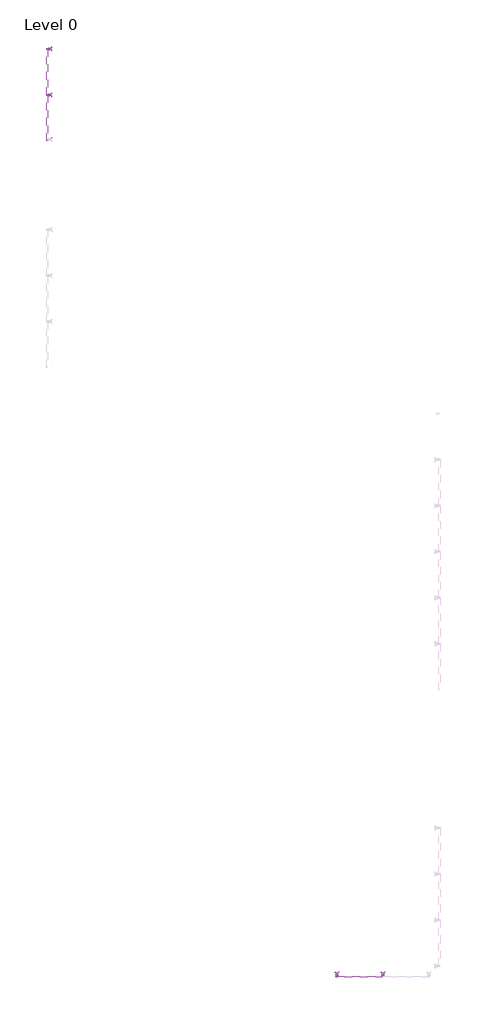
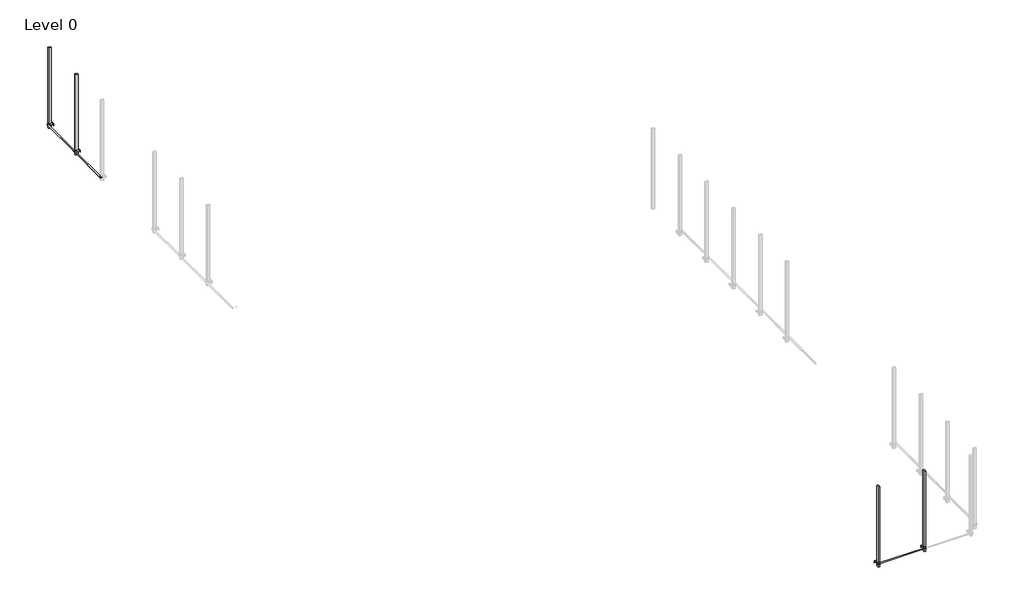
# One storey, part 7 of 15: 114 proxies.
"""IFC4 building model written with IfcOpenShell, lengths in millimetres."""

import ifcopenshell
import ifcopenshell.guid

model = None  # the IFC model being written
_history = None  # IfcOwnerHistory: only IFC2X3 demands one
_inside = {}  # id of a spatial element -> (the spatial element, [elements in it])
_under = {}  # id of a project, library or spatial element -> (it, [spatial elements below it])
_declared = {}  # id of a project -> (the project, [libraries it declares])
_typed = {}  # id of a type object -> (the type object, [elements of that type])
_made_of = {}  # id of a material, layer set ... -> (it, [elements and type objects made of it])


def new_model(schema):
    """Start an empty IFC model of exactly this schema.

    Asked for "IFC4X3", IfcOpenShell would pick the latest addendum, in which some entities
    have other attributes; the version numbers below select the first issue.
    IFC2X3 requires an IfcOwnerHistory on every rooted entity: one is made here for all.
    """
    global model, _history
    if schema == "IFC4X3":
        model = ifcopenshell.file(schema_version=(4, 3, 0, 0))
    else:
        model = ifcopenshell.file(schema=schema)
    _inside.clear()
    _under.clear()
    _declared.clear()
    _typed.clear()
    _made_of.clear()
    _history = None
    if model.schema == "IFC2X3":
        org = make("IfcOrganization", Name="unknown")
        user = make(
            "IfcPersonAndOrganization",
            ThePerson=make("IfcPerson", FamilyName="unknown"),
            TheOrganization=org,
        )
        app = make(
            "IfcApplication",
            ApplicationDeveloper=org,
            Version="unknown",
            ApplicationFullName="unknown",
            ApplicationIdentifier="unknown",
        )
        _history = make(
            "IfcOwnerHistory",
            OwningUser=user,
            OwningApplication=app,
            ChangeAction="ADDED",
            CreationDate=0,
        )
    return model


def make(cls, **values):
    """One entity of the class cls with the attributes given. An attribute that is None is left unset."""
    return model.create_entity(
        cls, **{name: value for name, value in values.items() if value is not None}
    )


def rooted(cls, **values):
    """An entity with a GlobalId (a new one), such as an element, a storey or a relation."""
    return make(cls, GlobalId=ifcopenshell.guid.new(), OwnerHistory=_history, **values)


def si_unit(unit_type, name, prefix=None):
    """IfcSIUnit, for example si_unit("LENGTHUNIT", "METRE", prefix="MILLI")."""
    return make("IfcSIUnit", UnitType=unit_type, Prefix=prefix, Name=name)


def assignment(units):
    """IfcUnitAssignment: the units of a project."""
    return None if units is None else make("IfcUnitAssignment", Units=units)


def point(xyz):
    """IfcCartesianPoint."""
    return None if xyz is None else make("IfcCartesianPoint", Coordinates=xyz)


def direction(xyz):
    """IfcDirection."""
    return None if xyz is None else make("IfcDirection", DirectionRatios=xyz)


def frame(location, z_axis=None, x_axis=None):
    """IfcAxis2Placement3D, a coordinate frame: its origin and axes. An axis left out is left unset."""
    return make(
        "IfcAxis2Placement3D",
        Location=point(location),
        Axis=direction(z_axis),
        RefDirection=direction(x_axis),
    )


def frame_2d(location, x_axis=None):
    """IfcAxis2Placement2D, a coordinate frame in the plane: its origin and x axis."""
    return make(
        "IfcAxis2Placement2D", Location=point(location), RefDirection=direction(x_axis)
    )


def origin():
    """The frame at (0, 0, 0) with its axes left unset."""
    return frame((0.0, 0.0, 0.0))


def origin_with_axes():
    """The frame at (0, 0, 0) with the z axis (0, 0, 1) and the x axis (1, 0, 0) written out."""
    return frame((0.0, 0.0, 0.0), z_axis=(0.0, 0.0, 1.0), x_axis=(1.0, 0.0, 0.0))


def origin_2d():
    """The frame at (0, 0) in the plane with its x axis left unset."""
    return frame_2d((0.0, 0.0))


def place(relative_to, where):
    """IfcLocalPlacement: puts the frame where relative to a parent placement (None: the world)."""
    return make(
        "IfcLocalPlacement", PlacementRelTo=relative_to, RelativePlacement=where
    )


def context(
    kind, dimensions, precision=None, world=None, true_north=None, identifier=None
):
    """IfcGeometricRepresentationContext, for example the 3D "Model" context."""
    return make(
        "IfcGeometricRepresentationContext",
        ContextIdentifier=identifier,
        ContextType=kind,
        CoordinateSpaceDimension=dimensions,
        Precision=precision,
        WorldCoordinateSystem=world,
        TrueNorth=true_north,
    )


def project(units=None, contexts=None):
    """IfcProject with its units and contexts."""
    return rooted(
        "IfcProject",
        Name="project",
        RepresentationContexts=contexts,
        UnitsInContext=assignment(units),
    )


def spatial(cls, under=None, at=None, **own):
    """A site, building, storey or space (cls), placed at a placement, below another one or the project."""
    s = rooted(cls, ObjectPlacement=at, **own)
    if under is not None:
        _under.setdefault(under.id(), (under, []))[1].append(s)
    return s


def polyline(points):
    """IfcPolyline through the points."""
    return make("IfcPolyline", Points=[point(p) for p in points])


def circle_curve(where, radius):
    """IfcCircle in the frame where."""
    return make("IfcCircle", Position=where, Radius=radius)


def trimmed(basis, trim1, trim2, sense, master):
    """IfcTrimmedCurve: the piece of a basis curve between two trims."""
    return make(
        "IfcTrimmedCurve",
        BasisCurve=basis,
        Trim1=trim1,
        Trim2=trim2,
        SenseAgreement=sense,
        MasterRepresentation=master,
    )


def segment(curve, same_sense, transition):
    """IfcCompositeCurveSegment."""
    return make(
        "IfcCompositeCurveSegment",
        Transition=transition,
        SameSense=same_sense,
        ParentCurve=curve,
    )


def composite_curve(segments, self_intersect=None):
    """IfcCompositeCurve: segments joined end to end."""
    return make("IfcCompositeCurve", Segments=segments, SelfIntersect=self_intersect)


def outline(outer, holes=None, kind="AREA"):
    """IfcArbitraryClosedProfileDef: a profile drawn as a closed curve; with holes, ...WithVoids."""
    if holes is None:
        return make("IfcArbitraryClosedProfileDef", ProfileType=kind, OuterCurve=outer)
    return make(
        "IfcArbitraryProfileDefWithVoids",
        ProfileType=kind,
        OuterCurve=outer,
        InnerCurves=holes,
    )


def extrude(swept, where, along, depth):
    """IfcExtrudedAreaSolid: the profile swept, set in the frame where, extruded along a direction by depth."""
    return make(
        "IfcExtrudedAreaSolid",
        SweptArea=swept,
        Position=where,
        ExtrudedDirection=direction(along),
        Depth=depth,
    )


def shape(context_of_items, identifier, shape_type, items):
    """IfcShapeRepresentation: the items that make up one representation, for example the "Body"."""
    return make(
        "IfcShapeRepresentation",
        ContextOfItems=context_of_items,
        RepresentationIdentifier=identifier,
        RepresentationType=shape_type,
        Items=items,
    )


def source(mapping_origin, context_of_items, identifier, shape_type, items):
    """IfcRepresentationMap: a shape defined once, which mapped items show again and again."""
    return make(
        "IfcRepresentationMap",
        MappingOrigin=mapping_origin,
        MappedRepresentation=shape(context_of_items, identifier, shape_type, items),
    )


def transform(
    local_origin,
    x_axis=None,
    y_axis=None,
    z_axis=None,
    scale=None,
    scale2=None,
    scale3=None,
    uniform=True,
):
    """IfcCartesianTransformationOperator3D, or its non-uniform kind. x_axis, y_axis, z_axis: its Axis1, 2, 3."""
    if uniform:
        return make(
            "IfcCartesianTransformationOperator3D",
            Axis1=direction(x_axis),
            Axis2=direction(y_axis),
            LocalOrigin=point(local_origin),
            Scale=scale,
            Axis3=direction(z_axis),
        )
    return make(
        "IfcCartesianTransformationOperator3DnonUniform",
        Axis1=direction(x_axis),
        Axis2=direction(y_axis),
        LocalOrigin=point(local_origin),
        Scale=scale,
        Axis3=direction(z_axis),
        Scale2=scale2,
        Scale3=scale3,
    )


def mapped(mapping_source, mapping_target):
    """IfcMappedItem: shows the shape of a source again, moved by a transform."""
    return make(
        "IfcMappedItem", MappingSource=mapping_source, MappingTarget=mapping_target
    )


def made_of(thing, what):
    """Note that an element or type object is made of a material, layer set ...; save() writes the relation."""
    if what is not None:
        _made_of.setdefault(what.id(), (what, []))[1].append(thing)
    return thing


def element(
    cls,
    number,
    at=None,
    inside=None,
    cuts=None,
    type_object=None,
    material=None,
    context=None,
    identifier="Body",
    shape_type=None,
    held_by="IfcProductDefinitionShape",
    body=None,
    shapes=None,
    **own,
):
    """One element of the class cls, such as IfcWall. Its Tag is "e" and its number.

    at: its placement. inside: the storey or other place that contains it. cuts: it is an
    opening in that element (IfcRelVoidsElement). A single representation is given by context,
    identifier, shape_type and body (its items); several are given by shapes. held_by: the class
    of the entity that holds the representations. save() writes the other relations.
    """
    e = rooted(cls, Tag="e%d" % number, ObjectPlacement=at, **own)
    if body is not None:
        shapes = [shape(context, identifier, shape_type, body)]
    if shapes is not None:
        e.Representation = make(held_by, Representations=shapes)
    if inside is not None:
        _inside.setdefault(inside.id(), (inside, []))[1].append(e)
    if cuts is not None:
        rooted(
            "IfcRelVoidsElement", RelatingBuildingElement=cuts, RelatedOpeningElement=e
        )
    if type_object is not None:
        _typed.setdefault(type_object.id(), (type_object, []))[1].append(e)
    return made_of(e, material)


def aggregate(whole, parts):
    """IfcRelAggregates: a whole, such as a stair, and the parts it consists of."""
    return rooted("IfcRelAggregates", RelatingObject=whole, RelatedObjects=parts)


def save(model, path):
    """Write the relations noted so far, then the file.

    IfcRelAggregates (storeys below a building ...), IfcRelContainedInSpatialStructure (elements
    in a storey), IfcRelDefinesByType, IfcRelAssociatesMaterial and IfcRelDeclares: one each for
    every whole, place, type object, material and project.
    """
    for whole, parts in _under.values():
        aggregate(whole, parts)
    for where, things in _inside.values():
        rooted(
            "IfcRelContainedInSpatialStructure",
            RelatedElements=things,
            RelatingStructure=where,
        )
    for kind, things in _typed.values():
        rooted("IfcRelDefinesByType", RelatedObjects=things, RelatingType=kind)
    for what, things in _made_of.values():
        rooted("IfcRelAssociatesMaterial", RelatedObjects=things, RelatingMaterial=what)
    for by, libraries in _declared.values():
        rooted("IfcRelDeclares", RelatingContext=by, RelatedDefinitions=libraries)
    model.write(path)


def generic_models_19886ca7(model_context):
    return source(origin(), model_context, "Body", "SweptSolid", [
        extrude(outline(composite_curve([segment(trimmed(circle_curve(origin_2d(), 5.0), [point((-5.0, 0.0))], [point((5.0, 0.0))], False, "CARTESIAN"), True, "CONTINUOUS"), segment(trimmed(circle_curve(origin_2d(), 5.0), [point((5.0, 0.0))], [point((-5.0, 0.0))], False, "CARTESIAN"), True, "CONTINUOUS")], self_intersect=False)), origin_with_axes(), (0.0, 0.0, 1.0), 5.0),
    ])


def generic_models_fb3d52db(model_context):
    return source(origin(), model_context, "Body", "SweptSolid", [
        extrude(outline(polyline([(0.0, 0.0), (-50.0, 0.0), (-50.0, 50.0), (-47.0, 50.0), (-47.0, 3.0), (0.0, 3.0), (0.0, 0.0)])), frame((0.0, 0.0, 0.0), z_axis=(1.0, 0.0, 0.0), x_axis=(0.0, 1.0, 0.0)), (0.0, 0.0, 1.0), 60.0),
    ])


def generic_models_5bfb905a(model_context):
    return source(origin(), model_context, "Body", "SweptSolid", [
        extrude(outline(polyline([(26.7544115, 408.8971584), (26.7544115, -1391.1028416), (-23.2455885, -1391.1028416), (-23.2455885, 408.8971584), (26.7544115, 408.8971584)])), origin_with_axes(), (0.0, 0.0, 1.0), 7.0),
    ])


def generic_models_88deaccf(model_context):
    return source(origin(), model_context, "Body", "SweptSolid", [
        extrude(outline(polyline([(150.0, 0.0), (0.0, 0.0), (0.0, 62.3), (2.3, 62.3), (2.3, 2.3), (150.0, 2.3), (150.0, 0.0)])), frame((0.0, -80.0, 0.0), z_axis=(0.0, 1.0, 0.0), x_axis=(0.0, 0.0, 1.0)), (0.0, 0.0, 1.0), 80.0),
    ])


def generic_models_159ed4c4(model_context):
    return source(origin(), model_context, "Body", "SweptSolid", [
        extrude(outline(polyline([(150.0, 0.0), (0.0, 0.0), (0.0, 62.3), (2.3, 62.3), (2.3, 2.3), (150.0, 2.3), (150.0, 0.0)])), frame((0.0, 0.0, 0.0), z_axis=(0.0, 1.0, 0.0), x_axis=(0.0, 0.0, 1.0)), (0.0, 0.0, 1.0), 80.0),
    ])


def generic_models_e0213a8b(model_context):
    return source(origin(), model_context, "Body", "SweptSolid", [
        extrude(outline(polyline([(0.0, 0.0), (0.0, 3.0), (47.0, 3.0), (47.0, 50.0), (50.0, 50.0), (50.0, 0.0), (0.0, 0.0)])), frame((0.0, 0.0, 0.0), z_axis=(1.0, 0.0, 0.0), x_axis=(0.0, 1.0, 0.0)), (0.0, 0.0, 1.0), 60.0),
    ])


def generic_models_dec5313c(model_context):
    return source(origin(), model_context, "Body", "SweptSolid", [
        extrude(outline(polyline([(26.7544115, -408.8971584), (-23.2455885, -408.8971584), (-23.2455885, 1391.1028416), (26.7544115, 1391.1028416), (26.7544115, -408.8971584)])), origin_with_axes(), (0.0, 0.0, 1.0), 7.0),
    ])


def montante_parete_montante_parete_c66eabe1(model_context):
    return source(origin(), model_context, "Body", "SweptSolid", [
        extrude(outline(polyline([(30.0, 1136.5382366), (30.0, -2163.4617634), (-30.0, -2163.4617634), (-30.0, 1136.5382366), (30.0, 1136.5382366)])), origin_with_axes(), (0.0, 0.0, 1.0), 100.0),
    ])


def montante_parete_montante_parete_482e2bc0(model_context):
    return source(origin(), model_context, "Body", "SweptSolid", [
        extrude(outline(polyline([(30.0, -1136.5382366), (-30.0, -1136.5382366), (-30.0, 2163.4617634), (30.0, 2163.4617634), (30.0, -1136.5382366)])), origin_with_axes(), (0.0, 0.0, 1.0), 100.0),
    ])


model = new_model("IFC4")

# Units and contexts
model_context = context("Model", 3, world=origin())
ifc_project = project(units=[si_unit("LENGTHUNIT", "METRE", prefix="MILLI")], contexts=[model_context])

# Site, building, storey
site = spatial("IfcSite", under=ifc_project)
building = spatial("IfcBuilding", under=site)
storey = spatial("IfcBuildingStorey", under=building, Name="Level 0", Elevation=0.0)

# Proxies
placement = place(None, origin())
generic_models_shape = generic_models_19886ca7(model_context)
element("IfcBuildingElementProxy", 1, Name="Generic Models", at=placement, inside=storey, context=model_context, shape_type="MappedRepresentation", body=[
    mapped(generic_models_shape, transform((-10960.1579074, -1216.5410594, 2854.9669903), x_axis=(0.0, -1.0, 0.0), y_axis=(0.0, 0.0, 1.0), z_axis=(-1.0, 0.0, 0.0))),
])
element("IfcBuildingElementProxy", 2, Name="Generic Models", at=placement, inside=storey, context=model_context, shape_type="MappedRepresentation", body=[
    mapped(generic_models_shape, transform((-10960.1579074, -1241.5410594, 2855.0), x_axis=(0.0, -1.0, 0.0), y_axis=(0.0, 0.0, 1.0), z_axis=(-1.0, 0.0, 0.0))),
])
element("IfcBuildingElementProxy", 3, Name="Generic Models", at=placement, inside=storey, context=model_context, shape_type="MappedRepresentation", body=[
    mapped(generic_models_shape, transform((-10960.1579074, -1241.5410594, 2815.0), x_axis=(0.0, -1.0, 0.0), y_axis=(0.0, 0.0, 1.0), z_axis=(-1.0, 0.0, 0.0))),
])
element("IfcBuildingElementProxy", 4, Name="Generic Models", at=placement, inside=storey, context=model_context, shape_type="MappedRepresentation", body=[
    mapped(generic_models_shape, transform((-10960.1579074, -1216.5410594, 2815.0), x_axis=(0.0, -1.0, 0.0), y_axis=(0.0, 0.0, 1.0), z_axis=(-1.0, 0.0, 0.0))),
])
element("IfcBuildingElementProxy", 5, Name="Generic Models", at=placement, inside=storey, context=model_context, shape_type="MappedRepresentation", body=[
    mapped(generic_models_shape, transform((-11087.8579074, -1196.5410594, 2855.0), x_axis=(1.0, 0.0, 0.0), y_axis=(0.0, 0.0, 1.0), z_axis=(0.0, -1.0, 0.0))),
])
element("IfcBuildingElementProxy", 6, Name="Generic Models", at=placement, inside=storey, context=model_context, shape_type="MappedRepresentation", body=[
    mapped(generic_models_shape, transform((-11087.8579074, -1196.5410594, 2814.9681435), x_axis=(1.0, 0.0, 0.0), y_axis=(0.0, 0.0, 1.0), z_axis=(0.0, -1.0, 0.0))),
])
element("IfcBuildingElementProxy", 7, Name="Generic Models", at=placement, inside=storey, context=model_context, shape_type="MappedRepresentation", body=[
    mapped(generic_models_shape, transform((-11062.8579074, -1196.5410594, 2814.9681435), x_axis=(1.0, 0.0, 0.0), y_axis=(0.0, 0.0, 1.0), z_axis=(0.0, -1.0, 0.0))),
])
element("IfcBuildingElementProxy", 8, Name="Generic Models", at=placement, inside=storey, context=model_context, shape_type="MappedRepresentation", body=[
    mapped(generic_models_shape, transform((-11062.8579074, -1196.5410594, 2855.0), x_axis=(1.0, 0.0, 0.0), y_axis=(0.0, 0.0, 1.0), z_axis=(0.0, -1.0, 0.0))),
])
element("IfcBuildingElementProxy", 9, Name="Generic Models", at=placement, inside=storey, context=model_context, shape_type="MappedRepresentation", body=[
    mapped(generic_models_shape, transform((-11110.8438637, -1179.2410594, 2870.0), x_axis=(0.0, 0.0, -1.0), y_axis=(0.0, -1.0, 0.0), z_axis=(-1.0, 0.0, 0.0))),
])
element("IfcBuildingElementProxy", 10, Name="Generic Models", at=placement, inside=storey, context=model_context, shape_type="MappedRepresentation", body=[
    mapped(generic_models_shape, transform((-11110.8438637, -1179.2410594, 2853.0), x_axis=(0.0, 0.0, -1.0), y_axis=(0.0, -1.0, 0.0), z_axis=(-1.0, 0.0, 0.0))),
])
element("IfcBuildingElementProxy", 11, Name="Generic Models", at=placement, inside=storey, context=model_context, shape_type="MappedRepresentation", body=[
    mapped(generic_models_shape, transform((-11110.8438637, -1149.2410594, 2853.0), x_axis=(0.0, 0.0, -1.0), y_axis=(0.0, -1.0, 0.0), z_axis=(-1.0, 0.0, 0.0))),
])
element("IfcBuildingElementProxy", 12, Name="Generic Models", at=placement, inside=storey, context=model_context, shape_type="MappedRepresentation", body=[
    mapped(generic_models_shape, transform((-11110.8438637, -1149.2410594, 2869.4644661), x_axis=(0.0, 0.0, -1.0), y_axis=(0.0, -1.0, 0.0), z_axis=(-1.0, 0.0, 0.0))),
])
element("IfcBuildingElementProxy", 13, Name="Generic Models", at=placement, inside=storey, context=model_context, shape_type="MappedRepresentation", body=[
    mapped(generic_models_shape, transform((-11122.8438637, -1149.2366286, 2838.0), x_axis=(-1.0, 0.0, 0.0), y_axis=(0.0, -1.0, 0.0), z_axis=(0.0, 0.0, 1.0))),
])
element("IfcBuildingElementProxy", 14, Name="Generic Models", at=placement, inside=storey, context=model_context, shape_type="MappedRepresentation", body=[
    mapped(generic_models_shape, transform((-11142.8438637, -1149.2214622, 2838.0), x_axis=(-1.0, 0.0, 0.0), y_axis=(0.0, -1.0, 0.0), z_axis=(0.0, 0.0, 1.0))),
])
element("IfcBuildingElementProxy", 15, Name="Generic Models", at=placement, inside=storey, context=model_context, shape_type="MappedRepresentation", body=[
    mapped(generic_models_shape, transform((-11122.8438637, -1179.2410594, 2838.0), x_axis=(-1.0, 0.0, 0.0), y_axis=(0.0, -1.0, 0.0), z_axis=(0.0, 0.0, 1.0))),
])
element("IfcBuildingElementProxy", 16, Name="Generic Models", at=placement, inside=storey, context=model_context, shape_type="MappedRepresentation", body=[
    mapped(generic_models_shape, transform((-11142.8438637, -1179.2410594, 2838.0), x_axis=(-1.0, 0.0, 0.0), y_axis=(0.0, -1.0, 0.0), z_axis=(0.0, 0.0, 1.0))),
])
element("IfcBuildingElementProxy", 17, Name="Generic Models", at=placement, inside=storey, context=model_context, shape_type="MappedRepresentation", body=[
    mapped(generic_models_shape, transform((-10960.1579074, -3016.5410594, 2854.9669903), x_axis=(0.0, -1.0, 0.0), y_axis=(0.0, 0.0, 1.0), z_axis=(-1.0, 0.0, 0.0))),
])
element("IfcBuildingElementProxy", 18, Name="Generic Models", at=placement, inside=storey, context=model_context, shape_type="MappedRepresentation", body=[
    mapped(generic_models_shape, transform((-10960.1579074, -3041.5410594, 2855.0), x_axis=(0.0, -1.0, 0.0), y_axis=(0.0, 0.0, 1.0), z_axis=(-1.0, 0.0, 0.0))),
])
element("IfcBuildingElementProxy", 19, Name="Generic Models", at=placement, inside=storey, context=model_context, shape_type="MappedRepresentation", body=[
    mapped(generic_models_shape, transform((-10960.1579074, -3041.5410594, 2815.0), x_axis=(0.0, -1.0, 0.0), y_axis=(0.0, 0.0, 1.0), z_axis=(-1.0, 0.0, 0.0))),
])
element("IfcBuildingElementProxy", 20, Name="Generic Models", at=placement, inside=storey, context=model_context, shape_type="MappedRepresentation", body=[
    mapped(generic_models_shape, transform((-10960.1579074, -3016.5410594, 2815.0), x_axis=(0.0, -1.0, 0.0), y_axis=(0.0, 0.0, 1.0), z_axis=(-1.0, 0.0, 0.0))),
])
element("IfcBuildingElementProxy", 21, Name="Generic Models", at=placement, inside=storey, context=model_context, shape_type="MappedRepresentation", body=[
    mapped(generic_models_shape, transform((-11087.8579074, -2996.5410594, 2855.0), x_axis=(1.0, 0.0, 0.0), y_axis=(0.0, 0.0, 1.0), z_axis=(0.0, -1.0, 0.0))),
])
element("IfcBuildingElementProxy", 22, Name="Generic Models", at=placement, inside=storey, context=model_context, shape_type="MappedRepresentation", body=[
    mapped(generic_models_shape, transform((-11087.8579074, -2996.5410594, 2814.9681435), x_axis=(1.0, 0.0, 0.0), y_axis=(0.0, 0.0, 1.0), z_axis=(0.0, -1.0, 0.0))),
])
element("IfcBuildingElementProxy", 23, Name="Generic Models", at=placement, inside=storey, context=model_context, shape_type="MappedRepresentation", body=[
    mapped(generic_models_shape, transform((-11062.8579074, -2996.5410594, 2814.9681435), x_axis=(1.0, 0.0, 0.0), y_axis=(0.0, 0.0, 1.0), z_axis=(0.0, -1.0, 0.0))),
])
element("IfcBuildingElementProxy", 24, Name="Generic Models", at=placement, inside=storey, context=model_context, shape_type="MappedRepresentation", body=[
    mapped(generic_models_shape, transform((-11062.8579074, -2996.5410594, 2855.0), x_axis=(1.0, 0.0, 0.0), y_axis=(0.0, 0.0, 1.0), z_axis=(0.0, -1.0, 0.0))),
])
element("IfcBuildingElementProxy", 25, Name="Generic Models", at=placement, inside=storey, context=model_context, shape_type="MappedRepresentation", body=[
    mapped(generic_models_shape, transform((-11110.8438637, -2979.2410594, 2870.0), x_axis=(0.0, 0.0, -1.0), y_axis=(0.0, -1.0, 0.0), z_axis=(-1.0, 0.0, 0.0))),
])
element("IfcBuildingElementProxy", 26, Name="Generic Models", at=placement, inside=storey, context=model_context, shape_type="MappedRepresentation", body=[
    mapped(generic_models_shape, transform((-11110.8438637, -2979.2410594, 2853.0), x_axis=(0.0, 0.0, -1.0), y_axis=(0.0, -1.0, 0.0), z_axis=(-1.0, 0.0, 0.0))),
])
element("IfcBuildingElementProxy", 27, Name="Generic Models", at=placement, inside=storey, context=model_context, shape_type="MappedRepresentation", body=[
    mapped(generic_models_shape, transform((-11110.8438637, -2949.2410594, 2853.0), x_axis=(0.0, 0.0, -1.0), y_axis=(0.0, -1.0, 0.0), z_axis=(-1.0, 0.0, 0.0))),
])
element("IfcBuildingElementProxy", 28, Name="Generic Models", at=placement, inside=storey, context=model_context, shape_type="MappedRepresentation", body=[
    mapped(generic_models_shape, transform((-11110.8438637, -2949.2410594, 2869.4644661), x_axis=(0.0, 0.0, -1.0), y_axis=(0.0, -1.0, 0.0), z_axis=(-1.0, 0.0, 0.0))),
])
element("IfcBuildingElementProxy", 29, Name="Generic Models", at=placement, inside=storey, context=model_context, shape_type="MappedRepresentation", body=[
    mapped(generic_models_shape, transform((-11122.8438637, -2949.2366286, 2838.0), x_axis=(-1.0, 0.0, 0.0), y_axis=(0.0, -1.0, 0.0), z_axis=(0.0, 0.0, 1.0))),
])
element("IfcBuildingElementProxy", 30, Name="Generic Models", at=placement, inside=storey, context=model_context, shape_type="MappedRepresentation", body=[
    mapped(generic_models_shape, transform((-11142.8438637, -2949.2214622, 2838.0), x_axis=(-1.0, 0.0, 0.0), y_axis=(0.0, -1.0, 0.0), z_axis=(0.0, 0.0, 1.0))),
])
element("IfcBuildingElementProxy", 31, Name="Generic Models", at=placement, inside=storey, context=model_context, shape_type="MappedRepresentation", body=[
    mapped(generic_models_shape, transform((-11122.8438637, -2979.2410594, 2838.0), x_axis=(-1.0, 0.0, 0.0), y_axis=(0.0, -1.0, 0.0), z_axis=(0.0, 0.0, 1.0))),
])
element("IfcBuildingElementProxy", 32, Name="Generic Models", at=placement, inside=storey, context=model_context, shape_type="MappedRepresentation", body=[
    mapped(generic_models_shape, transform((-11142.8438637, -2979.2410594, 2838.0), x_axis=(-1.0, 0.0, 0.0), y_axis=(0.0, -1.0, 0.0), z_axis=(0.0, 0.0, 1.0))),
])
element("IfcBuildingElementProxy", 33, Name="Generic Models", at=placement, inside=storey, context=model_context, shape_type="MappedRepresentation", body=[
    mapped(generic_models_shape, transform((2054.0599708, -37269.2410594, 2854.9669904), x_axis=(1.0, 0.0, 0.0), y_axis=(0.0, 0.0, 1.0), z_axis=(0.0, -1.0, 0.0))),
])
element("IfcBuildingElementProxy", 34, Name="Generic Models", at=placement, inside=storey, context=model_context, shape_type="MappedRepresentation", body=[
    mapped(generic_models_shape, transform((2079.0599708, -37269.2410594, 2855.0), x_axis=(1.0, 0.0, 0.0), y_axis=(0.0, 0.0, 1.0), z_axis=(0.0, -1.0, 0.0))),
])
element("IfcBuildingElementProxy", 35, Name="Generic Models", at=placement, inside=storey, context=model_context, shape_type="MappedRepresentation", body=[
    mapped(generic_models_shape, transform((2079.0599708, -37269.2410594, 2815.0), x_axis=(1.0, 0.0, 0.0), y_axis=(0.0, 0.0, 1.0), z_axis=(0.0, -1.0, 0.0))),
])
element("IfcBuildingElementProxy", 36, Name="Generic Models", at=placement, inside=storey, context=model_context, shape_type="MappedRepresentation", body=[
    mapped(generic_models_shape, transform((2054.0599708, -37269.2410594, 2815.0), x_axis=(1.0, 0.0, 0.0), y_axis=(0.0, 0.0, 1.0), z_axis=(0.0, -1.0, 0.0))),
])
element("IfcBuildingElementProxy", 37, Name="Generic Models", at=placement, inside=storey, context=model_context, shape_type="MappedRepresentation", body=[
    mapped(generic_models_shape, transform((2034.0599708, -37396.9410594, 2855.0), x_axis=(0.0, 1.0, 0.0), y_axis=(0.0, 0.0, 1.0), z_axis=(1.0, 0.0, 0.0))),
])
element("IfcBuildingElementProxy", 38, Name="Generic Models", at=placement, inside=storey, context=model_context, shape_type="MappedRepresentation", body=[
    mapped(generic_models_shape, transform((2034.0599708, -37396.9410594, 2814.9681435), x_axis=(0.0, 1.0, 0.0), y_axis=(0.0, 0.0, 1.0), z_axis=(1.0, 0.0, 0.0))),
])
element("IfcBuildingElementProxy", 39, Name="Generic Models", at=placement, inside=storey, context=model_context, shape_type="MappedRepresentation", body=[
    mapped(generic_models_shape, transform((2034.0599708, -37371.9410594, 2814.9681435), x_axis=(0.0, 1.0, 0.0), y_axis=(0.0, 0.0, 1.0), z_axis=(1.0, 0.0, 0.0))),
])
element("IfcBuildingElementProxy", 40, Name="Generic Models", at=placement, inside=storey, context=model_context, shape_type="MappedRepresentation", body=[
    mapped(generic_models_shape, transform((2034.0599708, -37371.9410594, 2855.0), x_axis=(0.0, 1.0, 0.0), y_axis=(0.0, 0.0, 1.0), z_axis=(1.0, 0.0, 0.0))),
])
element("IfcBuildingElementProxy", 41, Name="Generic Models", at=placement, inside=storey, context=model_context, shape_type="MappedRepresentation", body=[
    mapped(generic_models_shape, transform((254.0599708, -37269.2410594, 2854.9669904), x_axis=(1.0, 0.0, 0.0), y_axis=(0.0, 0.0, 1.0), z_axis=(0.0, -1.0, 0.0))),
])
element("IfcBuildingElementProxy", 42, Name="Generic Models", at=placement, inside=storey, context=model_context, shape_type="MappedRepresentation", body=[
    mapped(generic_models_shape, transform((279.0599708, -37269.2410594, 2855.0), x_axis=(1.0, 0.0, 0.0), y_axis=(0.0, 0.0, 1.0), z_axis=(0.0, -1.0, 0.0))),
])
element("IfcBuildingElementProxy", 43, Name="Generic Models", at=placement, inside=storey, context=model_context, shape_type="MappedRepresentation", body=[
    mapped(generic_models_shape, transform((279.0599708, -37269.2410594, 2815.0), x_axis=(1.0, 0.0, 0.0), y_axis=(0.0, 0.0, 1.0), z_axis=(0.0, -1.0, 0.0))),
])
element("IfcBuildingElementProxy", 44, Name="Generic Models", at=placement, inside=storey, context=model_context, shape_type="MappedRepresentation", body=[
    mapped(generic_models_shape, transform((254.0599708, -37269.2410594, 2815.0), x_axis=(1.0, 0.0, 0.0), y_axis=(0.0, 0.0, 1.0), z_axis=(0.0, -1.0, 0.0))),
])
element("IfcBuildingElementProxy", 45, Name="Generic Models", at=placement, inside=storey, context=model_context, shape_type="MappedRepresentation", body=[
    mapped(generic_models_shape, transform((234.0599708, -37396.9410594, 2855.0), x_axis=(0.0, 1.0, 0.0), y_axis=(0.0, 0.0, 1.0), z_axis=(1.0, 0.0, 0.0))),
])
element("IfcBuildingElementProxy", 46, Name="Generic Models", at=placement, inside=storey, context=model_context, shape_type="MappedRepresentation", body=[
    mapped(generic_models_shape, transform((234.0599708, -37396.9410594, 2814.9681435), x_axis=(0.0, 1.0, 0.0), y_axis=(0.0, 0.0, 1.0), z_axis=(1.0, 0.0, 0.0))),
])
element("IfcBuildingElementProxy", 47, Name="Generic Models", at=placement, inside=storey, context=model_context, shape_type="MappedRepresentation", body=[
    mapped(generic_models_shape, transform((234.0599708, -37371.9410594, 2814.9681435), x_axis=(0.0, 1.0, 0.0), y_axis=(0.0, 0.0, 1.0), z_axis=(1.0, 0.0, 0.0))),
])
element("IfcBuildingElementProxy", 48, Name="Generic Models", at=placement, inside=storey, context=model_context, shape_type="MappedRepresentation", body=[
    mapped(generic_models_shape, transform((234.0599708, -37371.9410594, 2855.0), x_axis=(0.0, 1.0, 0.0), y_axis=(0.0, 0.0, 1.0), z_axis=(1.0, 0.0, 0.0))),
])
generic_models_2_shape = generic_models_fb3d52db(model_context)
element("IfcBuildingElementProxy", 49, Name="Generic Models", at=placement, inside=storey, context=model_context, shape_type="MappedRepresentation", body=[
    mapped(generic_models_2_shape, transform((-11107.8438637, -1134.2410594, 2885.0), x_axis=(0.0, -1.0, 0.0), y_axis=(0.0, 0.0, 1.0), z_axis=(-1.0, 0.0, 0.0))),
])
element("IfcBuildingElementProxy", 50, Name="Generic Models", at=placement, inside=storey, context=model_context, shape_type="MappedRepresentation", body=[
    mapped(generic_models_2_shape, transform((-11107.8438637, -2934.2410594, 2885.0), x_axis=(0.0, -1.0, 0.0), y_axis=(0.0, 0.0, 1.0), z_axis=(-1.0, 0.0, 0.0))),
])
element("IfcBuildingElementProxy", 51, Name="Generic Models", at=placement, inside=storey, context=model_context, shape_type="MappedRepresentation", body=[
    mapped(generic_models_shape, transform((-10960.1579074, -1111.9410594, 2854.9669903), x_axis=(0.0, 1.0, 0.0), y_axis=(0.0, 0.0, -1.0), z_axis=(-1.0, 0.0, 0.0))),
])
element("IfcBuildingElementProxy", 52, Name="Generic Models", at=placement, inside=storey, context=model_context, shape_type="MappedRepresentation", body=[
    mapped(generic_models_shape, transform((-10960.1579074, -1086.9410594, 2855.0), x_axis=(0.0, 1.0, 0.0), y_axis=(0.0, 0.0, -1.0), z_axis=(-1.0, 0.0, 0.0))),
])
element("IfcBuildingElementProxy", 53, Name="Generic Models", at=placement, inside=storey, context=model_context, shape_type="MappedRepresentation", body=[
    mapped(generic_models_shape, transform((-10960.1579074, -1086.9410594, 2815.0), x_axis=(0.0, 1.0, 0.0), y_axis=(0.0, 0.0, -1.0), z_axis=(-1.0, 0.0, 0.0))),
])
element("IfcBuildingElementProxy", 54, Name="Generic Models", at=placement, inside=storey, context=model_context, shape_type="MappedRepresentation", body=[
    mapped(generic_models_shape, transform((-10960.1579074, -1111.9410594, 2815.0), x_axis=(0.0, 1.0, 0.0), y_axis=(0.0, 0.0, -1.0), z_axis=(-1.0, 0.0, 0.0))),
])
element("IfcBuildingElementProxy", 55, Name="Generic Models", at=placement, inside=storey, context=model_context, shape_type="MappedRepresentation", body=[
    mapped(generic_models_shape, transform((-11087.8579074, -1131.9410594, 2855.0), x_axis=(1.0, 0.0, 0.0), y_axis=(0.0, 0.0, -1.0), z_axis=(0.0, 1.0, 0.0))),
])
element("IfcBuildingElementProxy", 56, Name="Generic Models", at=placement, inside=storey, context=model_context, shape_type="MappedRepresentation", body=[
    mapped(generic_models_shape, transform((-11087.8579074, -1131.9410594, 2814.9681435), x_axis=(1.0, 0.0, 0.0), y_axis=(0.0, 0.0, -1.0), z_axis=(0.0, 1.0, 0.0))),
])
element("IfcBuildingElementProxy", 57, Name="Generic Models", at=placement, inside=storey, context=model_context, shape_type="MappedRepresentation", body=[
    mapped(generic_models_shape, transform((-11062.8579074, -1131.9410594, 2814.9681435), x_axis=(1.0, 0.0, 0.0), y_axis=(0.0, 0.0, -1.0), z_axis=(0.0, 1.0, 0.0))),
])
element("IfcBuildingElementProxy", 58, Name="Generic Models", at=placement, inside=storey, context=model_context, shape_type="MappedRepresentation", body=[
    mapped(generic_models_shape, transform((-11062.8579074, -1131.9410594, 2855.0), x_axis=(1.0, 0.0, 0.0), y_axis=(0.0, 0.0, -1.0), z_axis=(0.0, 1.0, 0.0))),
])
element("IfcBuildingElementProxy", 59, Name="Generic Models", at=placement, inside=storey, context=model_context, shape_type="MappedRepresentation", body=[
    mapped(generic_models_shape, transform((-10960.1579074, -2911.9410594, 2854.9669903), x_axis=(0.0, 1.0, 0.0), y_axis=(0.0, 0.0, -1.0), z_axis=(-1.0, 0.0, 0.0))),
])
element("IfcBuildingElementProxy", 60, Name="Generic Models", at=placement, inside=storey, context=model_context, shape_type="MappedRepresentation", body=[
    mapped(generic_models_shape, transform((-10960.1579074, -2886.9410594, 2855.0), x_axis=(0.0, 1.0, 0.0), y_axis=(0.0, 0.0, -1.0), z_axis=(-1.0, 0.0, 0.0))),
])
element("IfcBuildingElementProxy", 61, Name="Generic Models", at=placement, inside=storey, context=model_context, shape_type="MappedRepresentation", body=[
    mapped(generic_models_shape, transform((-10960.1579074, -2886.9410594, 2815.0), x_axis=(0.0, 1.0, 0.0), y_axis=(0.0, 0.0, -1.0), z_axis=(-1.0, 0.0, 0.0))),
])
element("IfcBuildingElementProxy", 62, Name="Generic Models", at=placement, inside=storey, context=model_context, shape_type="MappedRepresentation", body=[
    mapped(generic_models_shape, transform((-10960.1579074, -2911.9410594, 2815.0), x_axis=(0.0, 1.0, 0.0), y_axis=(0.0, 0.0, -1.0), z_axis=(-1.0, 0.0, 0.0))),
])
element("IfcBuildingElementProxy", 63, Name="Generic Models", at=placement, inside=storey, context=model_context, shape_type="MappedRepresentation", body=[
    mapped(generic_models_shape, transform((-11087.8579074, -2931.9410594, 2855.0), x_axis=(1.0, 0.0, 0.0), y_axis=(0.0, 0.0, -1.0), z_axis=(0.0, 1.0, 0.0))),
])
element("IfcBuildingElementProxy", 64, Name="Generic Models", at=placement, inside=storey, context=model_context, shape_type="MappedRepresentation", body=[
    mapped(generic_models_shape, transform((-11087.8579074, -2931.9410594, 2814.9681435), x_axis=(1.0, 0.0, 0.0), y_axis=(0.0, 0.0, -1.0), z_axis=(0.0, 1.0, 0.0))),
])
element("IfcBuildingElementProxy", 65, Name="Generic Models", at=placement, inside=storey, context=model_context, shape_type="MappedRepresentation", body=[
    mapped(generic_models_shape, transform((-11062.8579074, -2931.9410594, 2814.9681435), x_axis=(1.0, 0.0, 0.0), y_axis=(0.0, 0.0, -1.0), z_axis=(0.0, 1.0, 0.0))),
])
element("IfcBuildingElementProxy", 66, Name="Generic Models", at=placement, inside=storey, context=model_context, shape_type="MappedRepresentation", body=[
    mapped(generic_models_shape, transform((-11062.8579074, -2931.9410594, 2855.0), x_axis=(1.0, 0.0, 0.0), y_axis=(0.0, 0.0, -1.0), z_axis=(0.0, 1.0, 0.0))),
])
element("IfcBuildingElementProxy", 67, Name="Generic Models", at=placement, inside=storey, context=model_context, shape_type="MappedRepresentation", body=[
    mapped(generic_models_shape, transform((-10960.1579074, -4626.9410594, 2815.0), x_axis=(0.0, 1.0, 0.0), y_axis=(0.0, 0.0, -1.0), z_axis=(-1.0, 0.0, 0.0))),
])
element("IfcBuildingElementProxy", 68, Name="Generic Models", at=placement, inside=storey, context=model_context, shape_type="MappedRepresentation", body=[
    mapped(generic_models_shape, transform((-10960.1579074, -4651.9410594, 2815.0), x_axis=(0.0, 1.0, 0.0), y_axis=(0.0, 0.0, -1.0), z_axis=(-1.0, 0.0, 0.0))),
])
element("IfcBuildingElementProxy", 69, Name="Generic Models", at=placement, inside=storey, context=model_context, shape_type="MappedRepresentation", body=[
    mapped(generic_models_shape, transform((1949.4599708, -37269.2410594, 2854.9669904), x_axis=(-1.0, 0.0, 0.0), y_axis=(0.0, 0.0, -1.0), z_axis=(0.0, -1.0, 0.0))),
])
element("IfcBuildingElementProxy", 70, Name="Generic Models", at=placement, inside=storey, context=model_context, shape_type="MappedRepresentation", body=[
    mapped(generic_models_shape, transform((1924.4599708, -37269.2410594, 2855.0), x_axis=(-1.0, 0.0, 0.0), y_axis=(0.0, 0.0, -1.0), z_axis=(0.0, -1.0, 0.0))),
])
element("IfcBuildingElementProxy", 71, Name="Generic Models", at=placement, inside=storey, context=model_context, shape_type="MappedRepresentation", body=[
    mapped(generic_models_shape, transform((1924.4599708, -37269.2410594, 2815.0), x_axis=(-1.0, 0.0, 0.0), y_axis=(0.0, 0.0, -1.0), z_axis=(0.0, -1.0, 0.0))),
])
element("IfcBuildingElementProxy", 72, Name="Generic Models", at=placement, inside=storey, context=model_context, shape_type="MappedRepresentation", body=[
    mapped(generic_models_shape, transform((1949.4599708, -37269.2410594, 2815.0), x_axis=(-1.0, 0.0, 0.0), y_axis=(0.0, 0.0, -1.0), z_axis=(0.0, -1.0, 0.0))),
])
element("IfcBuildingElementProxy", 73, Name="Generic Models", at=placement, inside=storey, context=model_context, shape_type="MappedRepresentation", body=[
    mapped(generic_models_shape, transform((1969.4599708, -37396.9410594, 2855.0), x_axis=(0.0, 1.0, 0.0), y_axis=(0.0, 0.0, -1.0), z_axis=(-1.0, 0.0, 0.0))),
])
element("IfcBuildingElementProxy", 74, Name="Generic Models", at=placement, inside=storey, context=model_context, shape_type="MappedRepresentation", body=[
    mapped(generic_models_shape, transform((1969.4599708, -37396.9410594, 2814.9681435), x_axis=(0.0, 1.0, 0.0), y_axis=(0.0, 0.0, -1.0), z_axis=(-1.0, 0.0, 0.0))),
])
element("IfcBuildingElementProxy", 75, Name="Generic Models", at=placement, inside=storey, context=model_context, shape_type="MappedRepresentation", body=[
    mapped(generic_models_shape, transform((1969.4599708, -37371.9410594, 2814.9681435), x_axis=(0.0, 1.0, 0.0), y_axis=(0.0, 0.0, -1.0), z_axis=(-1.0, 0.0, 0.0))),
])
element("IfcBuildingElementProxy", 76, Name="Generic Models", at=placement, inside=storey, context=model_context, shape_type="MappedRepresentation", body=[
    mapped(generic_models_shape, transform((1969.4599708, -37371.9410594, 2855.0), x_axis=(0.0, 1.0, 0.0), y_axis=(0.0, 0.0, -1.0), z_axis=(-1.0, 0.0, 0.0))),
])
element("IfcBuildingElementProxy", 77, Name="Generic Models", at=placement, inside=storey, context=model_context, shape_type="MappedRepresentation", body=[
    mapped(generic_models_shape, transform((1986.7599708, -37419.9270157, 2870.0), x_axis=(0.0, 0.0, -1.0), y_axis=(1.0, 0.0, 0.0), z_axis=(0.0, -1.0, 0.0))),
])
element("IfcBuildingElementProxy", 78, Name="Generic Models", at=placement, inside=storey, context=model_context, shape_type="MappedRepresentation", body=[
    mapped(generic_models_shape, transform((1986.7599708, -37419.9270157, 2853.0), x_axis=(0.0, 0.0, -1.0), y_axis=(1.0, 0.0, 0.0), z_axis=(0.0, -1.0, 0.0))),
])
element("IfcBuildingElementProxy", 79, Name="Generic Models", at=placement, inside=storey, context=model_context, shape_type="MappedRepresentation", body=[
    mapped(generic_models_shape, transform((2016.7599708, -37419.9270157, 2853.0), x_axis=(0.0, 0.0, -1.0), y_axis=(1.0, 0.0, 0.0), z_axis=(0.0, -1.0, 0.0))),
])
element("IfcBuildingElementProxy", 80, Name="Generic Models", at=placement, inside=storey, context=model_context, shape_type="MappedRepresentation", body=[
    mapped(generic_models_shape, transform((1986.7599708, -37431.9270157, 2838.0), x_axis=(0.0, -1.0, 0.0), y_axis=(1.0, 0.0, 0.0), z_axis=(0.0, 0.0, 1.0))),
])
element("IfcBuildingElementProxy", 81, Name="Generic Models", at=placement, inside=storey, context=model_context, shape_type="MappedRepresentation", body=[
    mapped(generic_models_shape, transform((1986.7599708, -37451.9270157, 2838.0), x_axis=(0.0, -1.0, 0.0), y_axis=(1.0, 0.0, 0.0), z_axis=(0.0, 0.0, 1.0))),
])
element("IfcBuildingElementProxy", 82, Name="Generic Models", at=placement, inside=storey, context=model_context, shape_type="MappedRepresentation", body=[
    mapped(generic_models_shape, transform((149.4599708, -37269.2410594, 2854.9669904), x_axis=(-1.0, 0.0, 0.0), y_axis=(0.0, 0.0, -1.0), z_axis=(0.0, -1.0, 0.0))),
])
element("IfcBuildingElementProxy", 83, Name="Generic Models", at=placement, inside=storey, context=model_context, shape_type="MappedRepresentation", body=[
    mapped(generic_models_shape, transform((124.4599708, -37269.2410594, 2855.0), x_axis=(-1.0, 0.0, 0.0), y_axis=(0.0, 0.0, -1.0), z_axis=(0.0, -1.0, 0.0))),
])
element("IfcBuildingElementProxy", 84, Name="Generic Models", at=placement, inside=storey, context=model_context, shape_type="MappedRepresentation", body=[
    mapped(generic_models_shape, transform((124.4599708, -37269.2410594, 2815.0), x_axis=(-1.0, 0.0, 0.0), y_axis=(0.0, 0.0, -1.0), z_axis=(0.0, -1.0, 0.0))),
])
element("IfcBuildingElementProxy", 85, Name="Generic Models", at=placement, inside=storey, context=model_context, shape_type="MappedRepresentation", body=[
    mapped(generic_models_shape, transform((149.4599708, -37269.2410594, 2815.0), x_axis=(-1.0, 0.0, 0.0), y_axis=(0.0, 0.0, -1.0), z_axis=(0.0, -1.0, 0.0))),
])
element("IfcBuildingElementProxy", 86, Name="Generic Models", at=placement, inside=storey, context=model_context, shape_type="MappedRepresentation", body=[
    mapped(generic_models_shape, transform((169.4599708, -37396.9410594, 2855.0), x_axis=(0.0, 1.0, 0.0), y_axis=(0.0, 0.0, -1.0), z_axis=(-1.0, 0.0, 0.0))),
])
element("IfcBuildingElementProxy", 87, Name="Generic Models", at=placement, inside=storey, context=model_context, shape_type="MappedRepresentation", body=[
    mapped(generic_models_shape, transform((169.4599708, -37396.9410594, 2814.9681435), x_axis=(0.0, 1.0, 0.0), y_axis=(0.0, 0.0, -1.0), z_axis=(-1.0, 0.0, 0.0))),
])
element("IfcBuildingElementProxy", 88, Name="Generic Models", at=placement, inside=storey, context=model_context, shape_type="MappedRepresentation", body=[
    mapped(generic_models_shape, transform((169.4599708, -37371.9410594, 2814.9681435), x_axis=(0.0, 1.0, 0.0), y_axis=(0.0, 0.0, -1.0), z_axis=(-1.0, 0.0, 0.0))),
])
element("IfcBuildingElementProxy", 89, Name="Generic Models", at=placement, inside=storey, context=model_context, shape_type="MappedRepresentation", body=[
    mapped(generic_models_shape, transform((169.4599708, -37371.9410594, 2855.0), x_axis=(0.0, 1.0, 0.0), y_axis=(0.0, 0.0, -1.0), z_axis=(-1.0, 0.0, 0.0))),
])
element("IfcBuildingElementProxy", 90, Name="Generic Models", at=placement, inside=storey, context=model_context, shape_type="MappedRepresentation", body=[
    mapped(generic_models_shape, transform((186.7599708, -37419.9270157, 2870.0), x_axis=(0.0, 0.0, -1.0), y_axis=(1.0, 0.0, 0.0), z_axis=(0.0, -1.0, 0.0))),
])
element("IfcBuildingElementProxy", 91, Name="Generic Models", at=placement, inside=storey, context=model_context, shape_type="MappedRepresentation", body=[
    mapped(generic_models_shape, transform((186.7599708, -37419.9270157, 2853.0), x_axis=(0.0, 0.0, -1.0), y_axis=(1.0, 0.0, 0.0), z_axis=(0.0, -1.0, 0.0))),
])
element("IfcBuildingElementProxy", 92, Name="Generic Models", at=placement, inside=storey, context=model_context, shape_type="MappedRepresentation", body=[
    mapped(generic_models_shape, transform((216.7599708, -37419.9270157, 2853.0), x_axis=(0.0, 0.0, -1.0), y_axis=(1.0, 0.0, 0.0), z_axis=(0.0, -1.0, 0.0))),
])
element("IfcBuildingElementProxy", 93, Name="Generic Models", at=placement, inside=storey, context=model_context, shape_type="MappedRepresentation", body=[
    mapped(generic_models_shape, transform((216.7599708, -37419.9270157, 2869.4644661), x_axis=(0.0, 0.0, -1.0), y_axis=(1.0, 0.0, 0.0), z_axis=(0.0, -1.0, 0.0))),
])
element("IfcBuildingElementProxy", 94, Name="Generic Models", at=placement, inside=storey, context=model_context, shape_type="MappedRepresentation", body=[
    mapped(generic_models_shape, transform((216.7644017, -37431.9270157, 2838.0), x_axis=(0.0, -1.0, 0.0), y_axis=(1.0, 0.0, 0.0), z_axis=(0.0, 0.0, 1.0))),
])
element("IfcBuildingElementProxy", 95, Name="Generic Models", at=placement, inside=storey, context=model_context, shape_type="MappedRepresentation", body=[
    mapped(generic_models_shape, transform((216.7795681, -37451.9270157, 2838.0), x_axis=(0.0, -1.0, 0.0), y_axis=(1.0, 0.0, 0.0), z_axis=(0.0, 0.0, 1.0))),
])
element("IfcBuildingElementProxy", 96, Name="Generic Models", at=placement, inside=storey, context=model_context, shape_type="MappedRepresentation", body=[
    mapped(generic_models_shape, transform((186.7599708, -37431.9270157, 2838.0), x_axis=(0.0, -1.0, 0.0), y_axis=(1.0, 0.0, 0.0), z_axis=(0.0, 0.0, 1.0))),
])
element("IfcBuildingElementProxy", 97, Name="Generic Models", at=placement, inside=storey, context=model_context, shape_type="MappedRepresentation", body=[
    mapped(generic_models_shape, transform((186.7599708, -37451.9270157, 2838.0), x_axis=(0.0, -1.0, 0.0), y_axis=(1.0, 0.0, 0.0), z_axis=(0.0, 0.0, 1.0))),
])
generic_models_3_shape = generic_models_5bfb905a(model_context)
element("IfcBuildingElementProxy", 98, Name="Generic Models", at=placement, inside=storey, context=model_context, shape_type="MappedRepresentation", body=[
    mapped(generic_models_3_shape, transform((-11137.8438637, -1573.1382178, 2843.0), x_axis=(1.0, 0.0, 0.0), y_axis=(0.0, 1.0, 0.0), z_axis=(0.0, 0.0, 1.0))),
])
element("IfcBuildingElementProxy", 99, Name="Generic Models", at=placement, inside=storey, context=model_context, shape_type="MappedRepresentation", body=[
    mapped(generic_models_3_shape, transform((-11137.8438637, -3373.1382178, 2843.0), x_axis=(1.0, 0.0, 0.0), y_axis=(0.0, 1.0, 0.0), z_axis=(0.0, 0.0, 1.0))),
])
generic_models_4_shape = generic_models_88deaccf(model_context)
element("IfcBuildingElementProxy", 100, Name="Generic Models", at=placement, inside=storey, context=model_context, shape_type="MappedRepresentation", body=[
    mapped(generic_models_4_shape, transform((-10957.8579074, -1194.2410594, 2875.0), x_axis=(0.0, -1.0, 0.0), y_axis=(0.0, 0.0, 1.0), z_axis=(-1.0, 0.0, 0.0))),
])
element("IfcBuildingElementProxy", 101, Name="Generic Models", at=placement, inside=storey, context=model_context, shape_type="MappedRepresentation", body=[
    mapped(generic_models_4_shape, transform((-10957.8579074, -2994.2410594, 2875.0), x_axis=(0.0, -1.0, 0.0), y_axis=(0.0, 0.0, 1.0), z_axis=(-1.0, 0.0, 0.0))),
])
element("IfcBuildingElementProxy", 102, Name="Generic Models", at=placement, inside=storey, context=model_context, shape_type="MappedRepresentation", body=[
    mapped(generic_models_4_shape, transform((2031.7599708, -37266.9410594, 2875.0), x_axis=(1.0, 0.0, 0.0), y_axis=(0.0, 0.0, 1.0), z_axis=(0.0, -1.0, 0.0))),
])
element("IfcBuildingElementProxy", 103, Name="Generic Models", at=placement, inside=storey, context=model_context, shape_type="MappedRepresentation", body=[
    mapped(generic_models_4_shape, transform((231.7599708, -37266.9410594, 2875.0), x_axis=(1.0, 0.0, 0.0), y_axis=(0.0, 0.0, 1.0), z_axis=(0.0, -1.0, 0.0))),
])
generic_models_5_shape = generic_models_159ed4c4(model_context)
element("IfcBuildingElementProxy", 104, Name="Generic Models", at=placement, inside=storey, context=model_context, shape_type="MappedRepresentation", body=[
    mapped(generic_models_5_shape, transform((-10957.8579074, -1134.2410594, 2875.0), x_axis=(0.0, 1.0, 0.0), y_axis=(0.0, 0.0, -1.0), z_axis=(-1.0, 0.0, 0.0))),
])
element("IfcBuildingElementProxy", 105, Name="Generic Models", at=placement, inside=storey, context=model_context, shape_type="MappedRepresentation", body=[
    mapped(generic_models_5_shape, transform((-10957.8579074, -2934.2410594, 2875.0), x_axis=(0.0, 1.0, 0.0), y_axis=(0.0, 0.0, -1.0), z_axis=(-1.0, 0.0, 0.0))),
])
element("IfcBuildingElementProxy", 106, Name="Generic Models", at=placement, inside=storey, context=model_context, shape_type="MappedRepresentation", body=[
    mapped(generic_models_5_shape, transform((1971.7599708, -37266.9410594, 2875.0), x_axis=(-1.0, 0.0, 0.0), y_axis=(0.0, 0.0, -1.0), z_axis=(0.0, -1.0, 0.0))),
])
element("IfcBuildingElementProxy", 107, Name="Generic Models", at=placement, inside=storey, context=model_context, shape_type="MappedRepresentation", body=[
    mapped(generic_models_5_shape, transform((171.7599708, -37266.9410594, 2875.0), x_axis=(-1.0, 0.0, 0.0), y_axis=(0.0, 0.0, -1.0), z_axis=(0.0, -1.0, 0.0))),
])
generic_models_6_shape = generic_models_e0213a8b(model_context)
element("IfcBuildingElementProxy", 108, Name="Generic Models", at=placement, inside=storey, context=model_context, shape_type="MappedRepresentation", body=[
    mapped(generic_models_6_shape, transform((2031.7599708, -37416.9270157, 2885.0), x_axis=(-1.0, 0.0, 0.0), y_axis=(0.0, 0.0, -1.0), z_axis=(0.0, -1.0, 0.0))),
])
element("IfcBuildingElementProxy", 109, Name="Generic Models", at=placement, inside=storey, context=model_context, shape_type="MappedRepresentation", body=[
    mapped(generic_models_6_shape, transform((231.7599708, -37416.9270157, 2885.0), x_axis=(-1.0, 0.0, 0.0), y_axis=(0.0, 0.0, -1.0), z_axis=(0.0, -1.0, 0.0))),
])
generic_models_7_shape = generic_models_dec5313c(model_context)
element("IfcBuildingElementProxy", 110, Name="Generic Models", at=placement, inside=storey, context=model_context, shape_type="MappedRepresentation", body=[
    mapped(generic_models_7_shape, transform((1592.8628124, -37446.9270157, 2843.0), x_axis=(0.0, 1.0, 0.0), y_axis=(-1.0, 0.0, 0.0), z_axis=(0.0, 0.0, 1.0))),
])
montante_parete_montante_parete_shape = montante_parete_montante_parete_c66eabe1(model_context)
element("IfcBuildingElementProxy", 111, Name="montante parete : montante parete", ObjectType="montante parete : montante parete", at=placement, inside=storey, context=model_context, shape_type="MappedRepresentation", body=[
    mapped(montante_parete_montante_parete_shape, transform((-11007.8438637, -1164.2410594, 4848.4617634), x_axis=(0.0, -1.0, 0.0), y_axis=(0.0, 0.0, 1.0), z_axis=(-1.0, 0.0, 0.0))),
])
element("IfcBuildingElementProxy", 112, Name="montante parete : montante parete", ObjectType="montante parete : montante parete", at=placement, inside=storey, context=model_context, shape_type="MappedRepresentation", body=[
    mapped(montante_parete_montante_parete_shape, transform((-11007.8438637, -2964.2410594, 4848.4617634), x_axis=(0.0, -1.0, 0.0), y_axis=(0.0, 0.0, 1.0), z_axis=(-1.0, 0.0, 0.0))),
])
montante_parete_montante_parete_2_shape = montante_parete_montante_parete_482e2bc0(model_context)
element("IfcBuildingElementProxy", 113, Name="montante parete : montante parete", ObjectType="montante parete : montante parete", at=placement, inside=storey, context=model_context, shape_type="MappedRepresentation", body=[
    mapped(montante_parete_montante_parete_2_shape, transform((2001.7599708, -37316.9270157, 4848.4617634), x_axis=(-1.0, 0.0, 0.0), y_axis=(0.0, 0.0, -1.0), z_axis=(0.0, -1.0, 0.0))),
])
element("IfcBuildingElementProxy", 114, Name="montante parete : montante parete", ObjectType="montante parete : montante parete", at=placement, inside=storey, context=model_context, shape_type="MappedRepresentation", body=[
    mapped(montante_parete_montante_parete_2_shape, transform((201.7599708, -37316.9270157, 4848.4617634), x_axis=(-1.0, 0.0, 0.0), y_axis=(0.0, 0.0, -1.0), z_axis=(0.0, -1.0, 0.0))),
])

save(model, "model.ifc")
